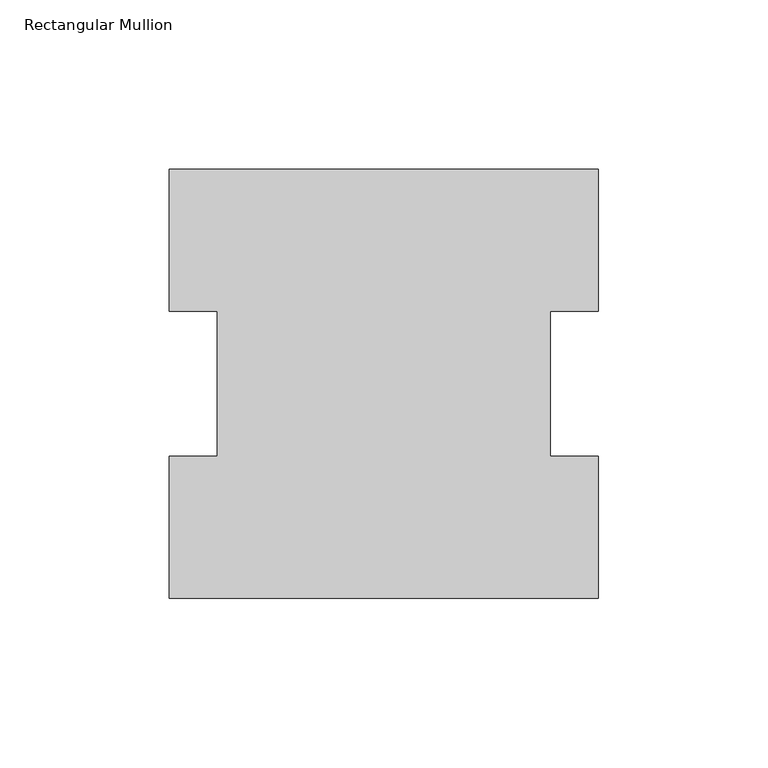
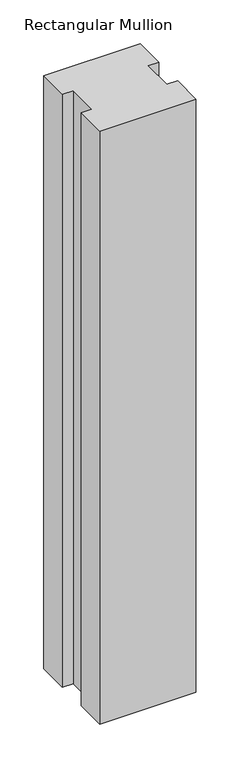
"""IFC4 building model written with IfcOpenShell, lengths in millimetres: member geometry, Rectangular Mullion."""

from ifc_helpers import new_model, si_unit, frame, origin, place, context, project, spatial, polyline, outline, extrude, source, transform, mapped, element, save


def rectangular_mullion_dc05fb07(model_context):
    return source(origin(), model_context, "Body", "SweptSolid", [
        extrude(outline(polyline([(-63.5, 127.00635), (63.5, 127.00635), (63.5, 84.93125), (49.2125, 84.93125), (49.2125, 42.08145), (63.5, 42.08145), (63.5, 0.00635), (-63.5, 0.00635), (-63.5, 42.08145), (-49.2125, 42.08145), (-49.2125, 84.93125), (-63.5, 84.93125), (-63.5, 127.00635)])), frame((0.0, 0.0, -825.5177772), z_axis=(0.0, 0.0, 1.0), x_axis=(1.0, 0.0, 0.0)), (0.0, 0.0, 1.0), 825.5177772),
    ])


if __name__ == "__main__":
    model = new_model("IFC4")
    model_context = context("Model", 3, world=origin())
    ifc_project = project(units=[si_unit("LENGTHUNIT", "METRE", prefix="MILLI")], contexts=[model_context])
    site = spatial("IfcSite", under=ifc_project)
    building = spatial("IfcBuilding", under=site)
    placement = place(None, origin())
    rectangular_mullion_shape = rectangular_mullion_dc05fb07(model_context)
    element("IfcMember", 1, ObjectType="Rectangular Mullion", at=placement, inside=building, context=model_context, shape_type="MappedRepresentation", body=[
        mapped(rectangular_mullion_shape, transform((0.0, 0.0, 0.0), x_axis=(1.0, 0.0, 0.0), y_axis=(0.0, 1.0, 0.0), z_axis=(0.0, 0.0, 1.0))),
    ])
    save(model, "model.ifc")
